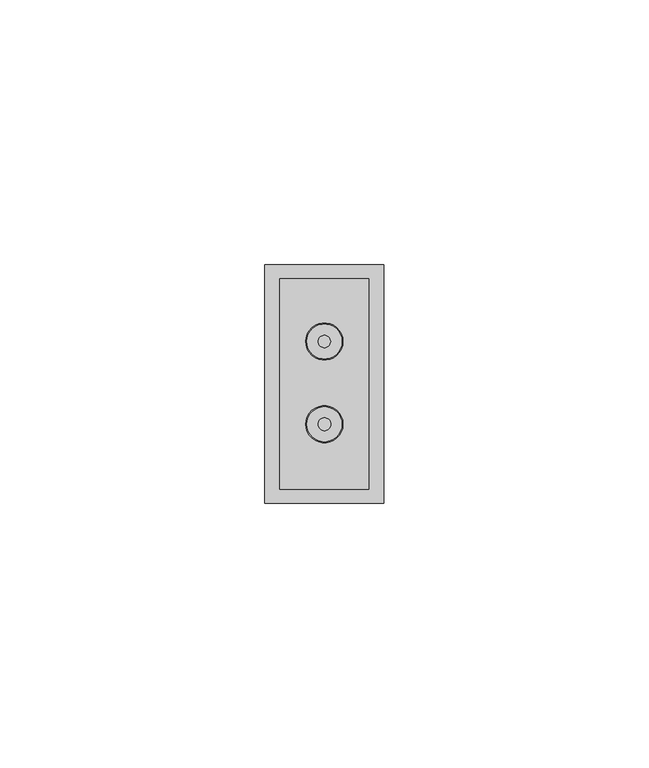
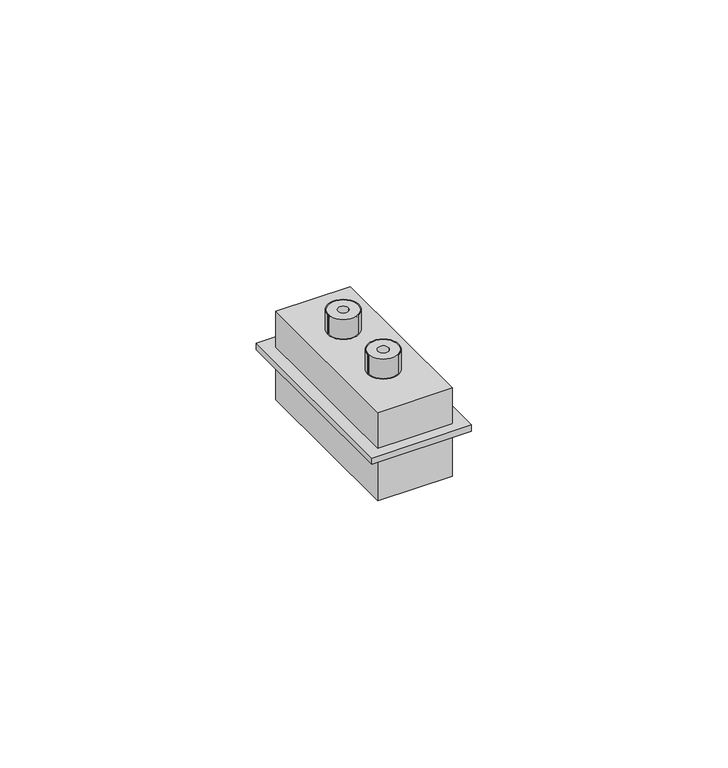
"""IFC4 building model written with IfcOpenShell, lengths in millimetres: proxy geometry."""

from ifc_helpers import new_model, si_unit, point, frame, frame_2d, origin, origin_with_axes, place, context, project, spatial, polyline, circle_curve, trimmed, segment, composite_curve, outline, extrude, source, transform, mapped, element, save


def electrical_fixtures_a47af865(model_context):
    return source(origin(), model_context, "Body", "SweptSolid", [
        extrude(outline(composite_curve([segment(trimmed(circle_curve(frame_2d((11.25, 14.9098625)), 3.3111624), [point((7.9388376, 14.9098625))], [point((14.5611624, 14.9098625))], False, "CARTESIAN"), True, "CONTINUOUS"), segment(trimmed(circle_curve(frame_2d((11.25, 14.9098625)), 3.3111624), [point((14.5611624, 14.9098625))], [point((7.9388376, 14.9098625))], False, "CARTESIAN"), True, "CONTINUOUS")], self_intersect=False), holes=[composite_curve([segment(trimmed(circle_curve(frame_2d((11.25, 14.9098625)), 1.2), [point((10.05, 14.9098625))], [point((12.45, 14.9098625))], True, "CARTESIAN"), True, "CONTINUOUS"), segment(trimmed(circle_curve(frame_2d((11.25, 14.9098625)), 1.2), [point((12.45, 14.9098625))], [point((10.05, 14.9098625))], True, "CARTESIAN"), True, "CONTINUOUS")], self_intersect=False)]), frame((0.0, 0.0, 9.762), z_axis=(0.0, 0.0, 1.0), x_axis=(1.0, 0.0, 0.0)), (0.0, 0.0, 1.0), 4.6442878),
        extrude(outline(composite_curve([segment(trimmed(circle_curve(frame_2d((11.25, 30.525)), 3.3111624), [point((7.9388376, 30.525))], [point((14.5611624, 30.525))], False, "CARTESIAN"), True, "CONTINUOUS"), segment(trimmed(circle_curve(frame_2d((11.25, 30.525)), 3.3111624), [point((14.5611624, 30.525))], [point((7.9388376, 30.525))], False, "CARTESIAN"), True, "CONTINUOUS")], self_intersect=False), holes=[composite_curve([segment(trimmed(circle_curve(frame_2d((11.25, 30.525)), 1.1527892), [point((10.0972108, 30.525))], [point((12.4027892, 30.525))], True, "CARTESIAN"), True, "CONTINUOUS"), segment(trimmed(circle_curve(frame_2d((11.25, 30.525)), 1.1527892), [point((12.4027892, 30.525))], [point((10.0972108, 30.525))], True, "CARTESIAN"), True, "CONTINUOUS")], self_intersect=False)]), frame((0.0, 0.0, 9.762), z_axis=(0.0, 0.0, 1.0), x_axis=(1.0, 0.0, 0.0)), (0.0, 0.0, 1.0), 4.6442878),
        extrude(outline(composite_curve([segment(trimmed(circle_curve(frame_2d((11.25, 30.525)), 3.5063771), [point((7.7436229, 30.525))], [point((14.7563771, 30.525))], False, "CARTESIAN"), True, "CONTINUOUS"), segment(trimmed(circle_curve(frame_2d((11.25, 30.525)), 3.5063771), [point((14.7563771, 30.525))], [point((7.7436229, 30.525))], False, "CARTESIAN"), True, "CONTINUOUS")], self_intersect=False), holes=[composite_curve([segment(trimmed(circle_curve(frame_2d((11.25, 30.525)), 3.3111624), [point((7.9388376, 30.525))], [point((14.5611624, 30.525))], True, "CARTESIAN"), True, "CONTINUOUS"), segment(trimmed(circle_curve(frame_2d((11.25, 30.525)), 3.3111624), [point((14.5611624, 30.525))], [point((7.9388376, 30.525))], True, "CARTESIAN"), True, "CONTINUOUS")], self_intersect=False)]), frame((0.0, 0.0, 9.762), z_axis=(0.0, 0.0, 1.0), x_axis=(1.0, 0.0, 0.0)), (0.0, 0.0, 1.0), 4.6442878),
        extrude(outline(composite_curve([segment(trimmed(circle_curve(frame_2d((11.25, 14.9098625)), 3.5063771), [point((7.7436229, 14.9098625))], [point((14.7563771, 14.9098625))], False, "CARTESIAN"), True, "CONTINUOUS"), segment(trimmed(circle_curve(frame_2d((11.25, 14.9098625)), 3.5063771), [point((14.7563771, 14.9098625))], [point((7.7436229, 14.9098625))], False, "CARTESIAN"), True, "CONTINUOUS")], self_intersect=False), holes=[composite_curve([segment(trimmed(circle_curve(frame_2d((11.25, 14.9098625)), 3.3111624), [point((7.9388376, 14.9098625))], [point((14.5611624, 14.9098625))], True, "CARTESIAN"), True, "CONTINUOUS"), segment(trimmed(circle_curve(frame_2d((11.25, 14.9098625)), 3.3111624), [point((14.5611624, 14.9098625))], [point((7.9388376, 14.9098625))], True, "CARTESIAN"), True, "CONTINUOUS")], self_intersect=False)]), frame((0.0, 0.0, 9.762), z_axis=(0.0, 0.0, 1.0), x_axis=(1.0, 0.0, 0.0)), (0.0, 0.0, 1.0), 4.6442878),
        extrude(outline(polyline([(2.85, 42.4), (19.65, 42.4), (19.65, 2.6), (2.85, 2.6), (2.85, 42.4)])), frame((0.0, 0.0, -11.2904363), z_axis=(0.0, 0.0, 1.0), x_axis=(1.0, 0.0, 0.0)), (0.0, 0.0, 1.0), 21.0524363),
        extrude(outline(polyline([(0.0, 0.0), (0.0, 45.0), (22.5, 45.0), (22.5, 0.0), (0.0, 0.0)]), holes=[polyline([(2.85, 42.4), (2.85, 2.6), (19.65, 2.6), (19.65, 42.4), (2.85, 42.4)])]), origin_with_axes(), (0.0, 0.0, 1.0), 1.5),
    ])


if __name__ == "__main__":
    model = new_model("IFC4")
    model_context = context("Model", 3, world=origin())
    ifc_project = project(units=[si_unit("LENGTHUNIT", "METRE", prefix="MILLI")], contexts=[model_context])
    site = spatial("IfcSite", under=ifc_project)
    building = spatial("IfcBuilding", under=site)
    placement = place(None, origin())
    electrical_fixtures_shape = electrical_fixtures_a47af865(model_context)
    element("IfcBuildingElementProxy", 1, Name="Electrical Fixtures", at=placement, inside=building, context=model_context, shape_type="MappedRepresentation", body=[
        mapped(electrical_fixtures_shape, transform((0.0, 0.0, 0.0), x_axis=(1.0, 0.0, 0.0), y_axis=(0.0, 1.0, 0.0), z_axis=(0.0, 0.0, 1.0))),
    ])
    save(model, "model.ifc")
